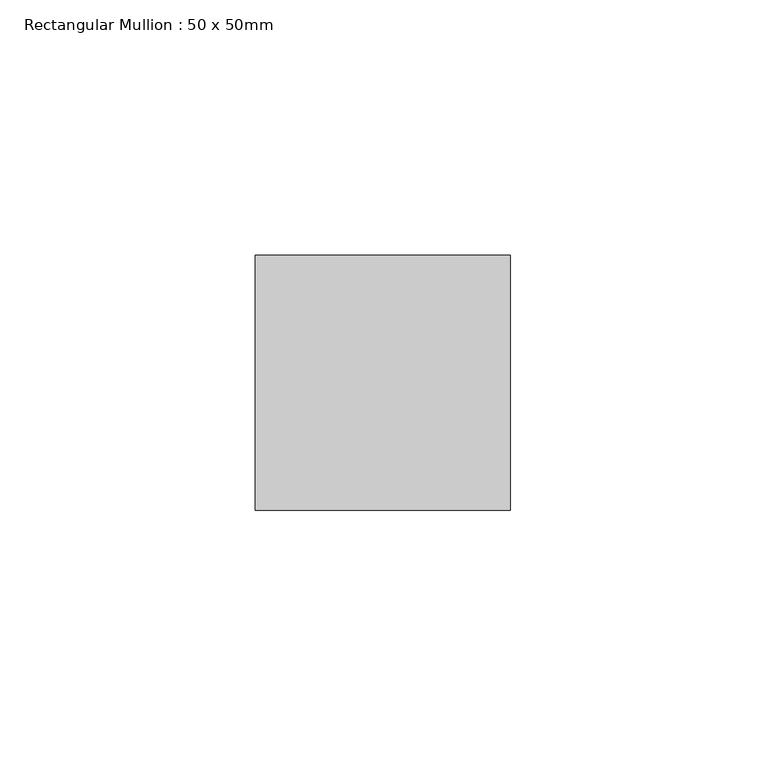
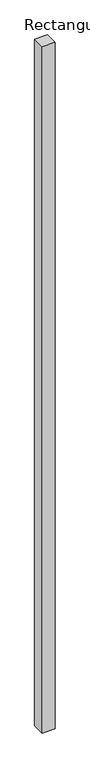
"""IFC4 building model written with IfcOpenShell, lengths in millimetres: member geometry, Rectangular Mullion : 50 x 50mm."""

from ifc_helpers import new_model, si_unit, frame, origin, place, context, project, spatial, polyline, outline, extrude, source, transform, mapped, element, save


def rectangular_mullion_50_x_50mm_2552bda3(model_context):
    return source(origin(), model_context, "Body", "SweptSolid", [
        extrude(outline(polyline([(25.0, 50.0), (25.0, 0.0), (-25.0, 0.0), (-25.0, 50.0), (25.0, 50.0)])), frame((0.0, 0.0, -2800.0), z_axis=(0.0, 0.0, 1.0), x_axis=(1.0, 0.0, 0.0)), (0.0, 0.0, 1.0), 2800.0),
    ])


if __name__ == "__main__":
    model = new_model("IFC4")
    model_context = context("Model", 3, world=origin())
    ifc_project = project(units=[si_unit("LENGTHUNIT", "METRE", prefix="MILLI")], contexts=[model_context])
    site = spatial("IfcSite", under=ifc_project)
    building = spatial("IfcBuilding", under=site)
    placement = place(None, origin())
    rectangular_mullion_50_x_50mm_shape = rectangular_mullion_50_x_50mm_2552bda3(model_context)
    element("IfcMember", 1, ObjectType="Rectangular Mullion : 50 x 50mm", at=placement, inside=building, context=model_context, shape_type="MappedRepresentation", body=[
        mapped(rectangular_mullion_50_x_50mm_shape, transform((0.0, 0.0, 0.0), x_axis=(1.0, 0.0, 0.0), y_axis=(0.0, 1.0, 0.0), z_axis=(0.0, 0.0, 1.0))),
    ])
    save(model, "model.ifc")
